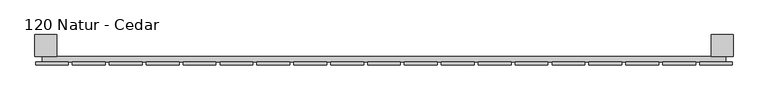
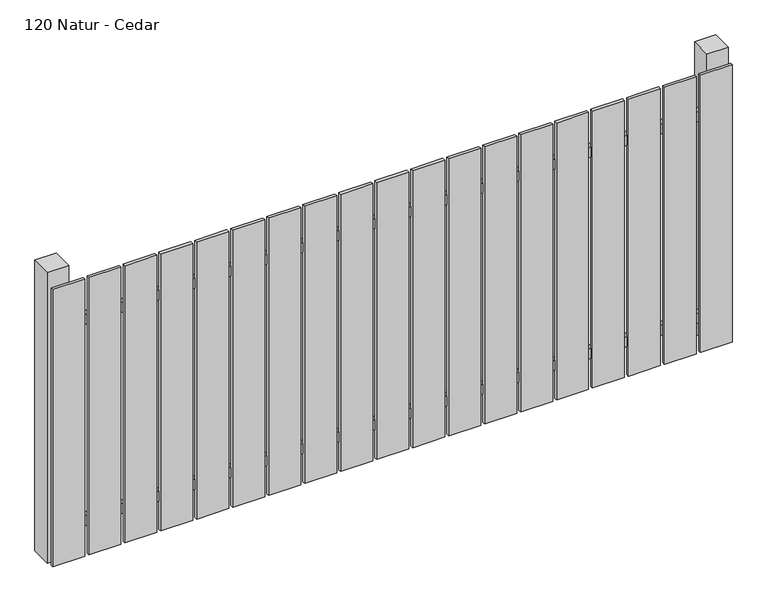
"""IFC4 building model written with IfcOpenShell, lengths in millimetres: railing geometry, 120 Natur - Cedar."""

from ifc_helpers import new_model, si_unit, frame, origin, origin_with_axes, place, context, project, spatial, polyline, outline, extrude, source, transform, mapped, element, save


def railing_120_natur_cedar_6dc5dc91(model_context):
    return source(origin(), model_context, "Body", "SweptSolid", [
        extrude(outline(polyline([(11087.4299228, -81939.0267127), (11087.4299228, -81919.0267127), (13587.4299228, -81919.0267127), (13587.4299228, -81939.0267127), (11087.4299228, -81939.0267127)])), frame((0.0, 0.0, 110.0), z_axis=(0.0, 0.0, 1.0), x_axis=(1.0, 0.0, 0.0)), (0.0, 0.0, 1.0), 40.0),
        extrude(outline(polyline([(11087.4299228, -81939.0267127), (11087.4299228, -81919.0267127), (13587.4299228, -81919.0267127), (13587.4299228, -81939.0267127), (11087.4299228, -81939.0267127)])), frame((0.0, 0.0, 910.0), z_axis=(0.0, 0.0, 1.0), x_axis=(1.0, 0.0, 0.0)), (0.0, 0.0, 1.0), 40.0),
        extrude(outline(polyline([(13492.4299228, -81950.5267127), (13492.4299228, -81939.5267127), (13612.4299228, -81939.5267127), (13612.4299228, -81950.5267127), (13492.4299228, -81950.5267127)])), origin_with_axes(), (0.0, 0.0, 1.0), 1100.0),
        extrude(outline(polyline([(13357.4299228, -81950.5267127), (13357.4299228, -81939.5267127), (13477.4299228, -81939.5267127), (13477.4299228, -81950.5267127), (13357.4299228, -81950.5267127)])), origin_with_axes(), (0.0, 0.0, 1.0), 1100.0),
        extrude(outline(polyline([(13222.4299228, -81950.5267127), (13222.4299228, -81939.5267127), (13342.4299228, -81939.5267127), (13342.4299228, -81950.5267127), (13222.4299228, -81950.5267127)])), origin_with_axes(), (0.0, 0.0, 1.0), 1100.0),
        extrude(outline(polyline([(13087.4299228, -81950.5267127), (13087.4299228, -81939.5267127), (13207.4299228, -81939.5267127), (13207.4299228, -81950.5267127), (13087.4299228, -81950.5267127)])), origin_with_axes(), (0.0, 0.0, 1.0), 1100.0),
        extrude(outline(polyline([(12952.4299228, -81950.5267127), (12952.4299228, -81939.5267127), (13072.4299228, -81939.5267127), (13072.4299228, -81950.5267127), (12952.4299228, -81950.5267127)])), origin_with_axes(), (0.0, 0.0, 1.0), 1100.0),
        extrude(outline(polyline([(12817.4299228, -81950.5267127), (12817.4299228, -81939.5267127), (12937.4299228, -81939.5267127), (12937.4299228, -81950.5267127), (12817.4299228, -81950.5267127)])), origin_with_axes(), (0.0, 0.0, 1.0), 1100.0),
        extrude(outline(polyline([(12682.4299228, -81950.5267127), (12682.4299228, -81939.5267127), (12802.4299228, -81939.5267127), (12802.4299228, -81950.5267127), (12682.4299228, -81950.5267127)])), origin_with_axes(), (0.0, 0.0, 1.0), 1100.0),
        extrude(outline(polyline([(12547.4299228, -81950.5267127), (12547.4299228, -81939.5267127), (12667.4299228, -81939.5267127), (12667.4299228, -81950.5267127), (12547.4299228, -81950.5267127)])), origin_with_axes(), (0.0, 0.0, 1.0), 1100.0),
        extrude(outline(polyline([(12412.4299228, -81950.5267127), (12412.4299228, -81939.5267127), (12532.4299228, -81939.5267127), (12532.4299228, -81950.5267127), (12412.4299228, -81950.5267127)])), origin_with_axes(), (0.0, 0.0, 1.0), 1100.0),
        extrude(outline(polyline([(12277.4299228, -81950.5267127), (12277.4299228, -81939.5267127), (12397.4299228, -81939.5267127), (12397.4299228, -81950.5267127), (12277.4299228, -81950.5267127)])), origin_with_axes(), (0.0, 0.0, 1.0), 1100.0),
        extrude(outline(polyline([(12142.4299228, -81950.5267127), (12142.4299228, -81939.5267127), (12262.4299228, -81939.5267127), (12262.4299228, -81950.5267127), (12142.4299228, -81950.5267127)])), origin_with_axes(), (0.0, 0.0, 1.0), 1100.0),
        extrude(outline(polyline([(12007.4299228, -81950.5267127), (12007.4299228, -81939.5267127), (12127.4299228, -81939.5267127), (12127.4299228, -81950.5267127), (12007.4299228, -81950.5267127)])), origin_with_axes(), (0.0, 0.0, 1.0), 1100.0),
        extrude(outline(polyline([(11872.4299228, -81950.5267127), (11872.4299228, -81939.5267127), (11992.4299228, -81939.5267127), (11992.4299228, -81950.5267127), (11872.4299228, -81950.5267127)])), origin_with_axes(), (0.0, 0.0, 1.0), 1100.0),
        extrude(outline(polyline([(11737.4299228, -81950.5267127), (11737.4299228, -81939.5267127), (11857.4299228, -81939.5267127), (11857.4299228, -81950.5267127), (11737.4299228, -81950.5267127)])), origin_with_axes(), (0.0, 0.0, 1.0), 1100.0),
        extrude(outline(polyline([(11602.4299228, -81950.5267127), (11602.4299228, -81939.5267127), (11722.4299228, -81939.5267127), (11722.4299228, -81950.5267127), (11602.4299228, -81950.5267127)])), origin_with_axes(), (0.0, 0.0, 1.0), 1100.0),
        extrude(outline(polyline([(11467.4299228, -81950.5267127), (11467.4299228, -81939.5267127), (11587.4299228, -81939.5267127), (11587.4299228, -81950.5267127), (11467.4299228, -81950.5267127)])), origin_with_axes(), (0.0, 0.0, 1.0), 1100.0),
        extrude(outline(polyline([(11332.4299228, -81950.5267127), (11332.4299228, -81939.5267127), (11452.4299228, -81939.5267127), (11452.4299228, -81950.5267127), (11332.4299228, -81950.5267127)])), origin_with_axes(), (0.0, 0.0, 1.0), 1100.0),
        extrude(outline(polyline([(11197.4299228, -81950.5267127), (11197.4299228, -81939.5267127), (11317.4299228, -81939.5267127), (11317.4299228, -81950.5267127), (11197.4299228, -81950.5267127)])), origin_with_axes(), (0.0, 0.0, 1.0), 1100.0),
        extrude(outline(polyline([(11062.4299228, -81950.5267127), (11062.4299228, -81939.5267127), (11182.4299228, -81939.5267127), (11182.4299228, -81950.5267127), (11062.4299228, -81950.5267127)])), origin_with_axes(), (0.0, 0.0, 1.0), 1100.0),
        extrude(outline(polyline([(13534.9299228, -81839.0267127), (13614.9299228, -81839.0267127), (13614.9299228, -81919.0267127), (13534.9299228, -81919.0267127), (13534.9299228, -81839.0267127)])), frame((0.0, 0.0, -4.0), z_axis=(0.0, 0.0, 1.0), x_axis=(1.0, 0.0, 0.0)), (0.0, 0.0, 1.0), 1154.0),
        extrude(outline(polyline([(11059.9299228, -81839.0267127), (11139.9299228, -81839.0267127), (11139.9299228, -81919.0267127), (11059.9299228, -81919.0267127), (11059.9299228, -81839.0267127)])), frame((0.0, 0.0, -4.0), z_axis=(0.0, 0.0, 1.0), x_axis=(1.0, 0.0, 0.0)), (0.0, 0.0, 1.0), 1154.0),
    ])


if __name__ == "__main__":
    model = new_model("IFC4")
    model_context = context("Model", 3, world=origin())
    ifc_project = project(units=[si_unit("LENGTHUNIT", "METRE", prefix="MILLI")], contexts=[model_context])
    site = spatial("IfcSite", under=ifc_project)
    building = spatial("IfcBuilding", under=site)
    placement = place(None, origin())
    railing_120_natur_cedar_shape = railing_120_natur_cedar_6dc5dc91(model_context)
    element("IfcRailing", 1, ObjectType="120 Natur - Cedar", at=placement, inside=building, context=model_context, shape_type="MappedRepresentation", body=[
        mapped(railing_120_natur_cedar_shape, transform((0.0, 0.0, 0.0), x_axis=(1.0, 0.0, 0.0), y_axis=(0.0, 1.0, 0.0), z_axis=(0.0, 0.0, 1.0))),
    ])
    save(model, "model.ifc")
